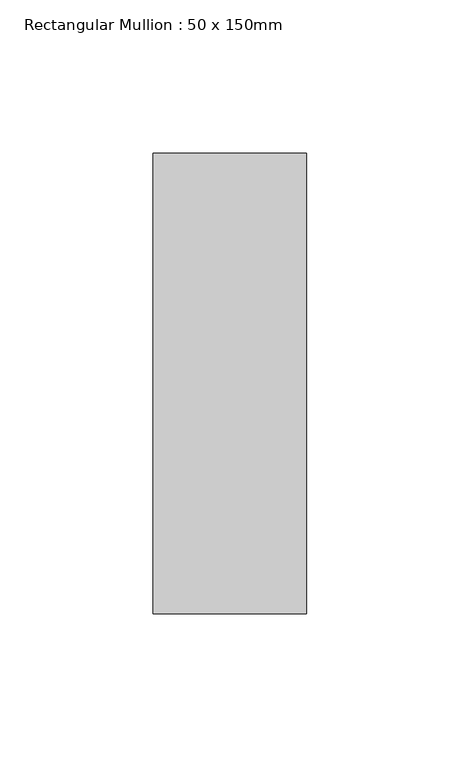
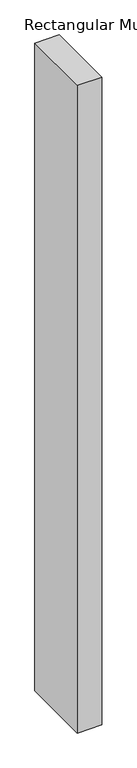
"""IFC4 building model written with IfcOpenShell, lengths in millimetres: member geometry, Rectangular Mullion : 50 x 150mm."""

from ifc_helpers import new_model, si_unit, frame, origin, place, context, project, spatial, polyline, outline, extrude, source, transform, mapped, element, save


def rectangular_mullion_50_x_150mm_6656184f(model_context):
    return source(origin(), model_context, "Body", "SweptSolid", [
        extrude(outline(polyline([(0.0, 75.0), (0.0, -75.0), (-50.0, -75.0), (-50.0, 75.0), (0.0, 75.0)])), frame((0.0, 0.0, -1398.5125701), z_axis=(0.0, 0.0, 1.0), x_axis=(1.0, 0.0, 0.0)), (0.0, 0.0, 1.0), 1398.5125701),
    ])


if __name__ == "__main__":
    model = new_model("IFC4")
    model_context = context("Model", 3, world=origin())
    ifc_project = project(units=[si_unit("LENGTHUNIT", "METRE", prefix="MILLI")], contexts=[model_context])
    site = spatial("IfcSite", under=ifc_project)
    building = spatial("IfcBuilding", under=site)
    placement = place(None, origin())
    rectangular_mullion_50_x_150mm_shape = rectangular_mullion_50_x_150mm_6656184f(model_context)
    element("IfcMember", 1, ObjectType="Rectangular Mullion : 50 x 150mm", at=placement, inside=building, context=model_context, shape_type="MappedRepresentation", body=[
        mapped(rectangular_mullion_50_x_150mm_shape, transform((0.0, 0.0, 0.0), x_axis=(1.0, 0.0, 0.0), y_axis=(0.0, 1.0, 0.0), z_axis=(0.0, 0.0, 1.0))),
    ])
    save(model, "model.ifc")
